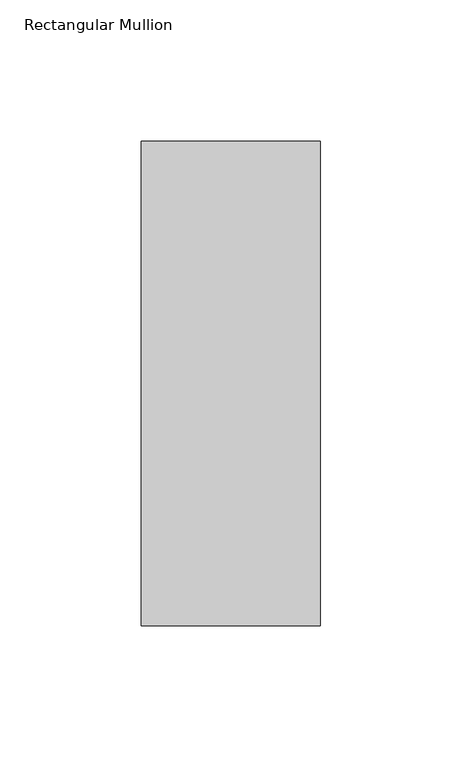
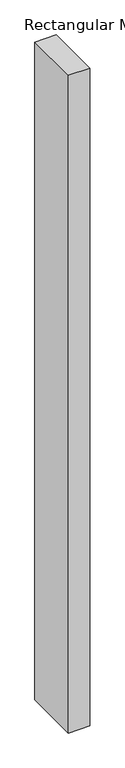
"""IFC4 building model written with IfcOpenShell, lengths in millimetres: member geometry, Rectangular Mullion."""

import ifcopenshell
import ifcopenshell.guid

model = None  # the IFC model being written
_history = None  # IfcOwnerHistory: only IFC2X3 demands one
_inside = {}  # id of a spatial element -> (the spatial element, [elements in it])
_under = {}  # id of a project, library or spatial element -> (it, [spatial elements below it])
_declared = {}  # id of a project -> (the project, [libraries it declares])
_typed = {}  # id of a type object -> (the type object, [elements of that type])
_made_of = {}  # id of a material, layer set ... -> (it, [elements and type objects made of it])


def new_model(schema):
    """Start an empty IFC model of exactly this schema.

    Asked for "IFC4X3", IfcOpenShell would pick the latest addendum, in which some entities
    have other attributes; the version numbers below select the first issue.
    IFC2X3 requires an IfcOwnerHistory on every rooted entity: one is made here for all.
    """
    global model, _history
    if schema == "IFC4X3":
        model = ifcopenshell.file(schema_version=(4, 3, 0, 0))
    else:
        model = ifcopenshell.file(schema=schema)
    _inside.clear()
    _under.clear()
    _declared.clear()
    _typed.clear()
    _made_of.clear()
    _history = None
    if model.schema == "IFC2X3":
        org = make("IfcOrganization", Name="unknown")
        user = make(
            "IfcPersonAndOrganization",
            ThePerson=make("IfcPerson", FamilyName="unknown"),
            TheOrganization=org,
        )
        app = make(
            "IfcApplication",
            ApplicationDeveloper=org,
            Version="unknown",
            ApplicationFullName="unknown",
            ApplicationIdentifier="unknown",
        )
        _history = make(
            "IfcOwnerHistory",
            OwningUser=user,
            OwningApplication=app,
            ChangeAction="ADDED",
            CreationDate=0,
        )
    return model


def make(cls, **values):
    """One entity of the class cls with the attributes given. An attribute that is None is left unset."""
    return model.create_entity(
        cls, **{name: value for name, value in values.items() if value is not None}
    )


def rooted(cls, **values):
    """An entity with a GlobalId (a new one), such as an element, a storey or a relation."""
    return make(cls, GlobalId=ifcopenshell.guid.new(), OwnerHistory=_history, **values)


def si_unit(unit_type, name, prefix=None):
    """IfcSIUnit, for example si_unit("LENGTHUNIT", "METRE", prefix="MILLI")."""
    return make("IfcSIUnit", UnitType=unit_type, Prefix=prefix, Name=name)


def assignment(units):
    """IfcUnitAssignment: the units of a project."""
    return None if units is None else make("IfcUnitAssignment", Units=units)


def point(xyz):
    """IfcCartesianPoint."""
    return None if xyz is None else make("IfcCartesianPoint", Coordinates=xyz)


def direction(xyz):
    """IfcDirection."""
    return None if xyz is None else make("IfcDirection", DirectionRatios=xyz)


def frame(location, z_axis=None, x_axis=None):
    """IfcAxis2Placement3D, a coordinate frame: its origin and axes. An axis left out is left unset."""
    return make(
        "IfcAxis2Placement3D",
        Location=point(location),
        Axis=direction(z_axis),
        RefDirection=direction(x_axis),
    )


def origin():
    """The frame at (0, 0, 0) with its axes left unset."""
    return frame((0.0, 0.0, 0.0))


def place(relative_to, where):
    """IfcLocalPlacement: puts the frame where relative to a parent placement (None: the world)."""
    return make(
        "IfcLocalPlacement", PlacementRelTo=relative_to, RelativePlacement=where
    )


def context(
    kind, dimensions, precision=None, world=None, true_north=None, identifier=None
):
    """IfcGeometricRepresentationContext, for example the 3D "Model" context."""
    return make(
        "IfcGeometricRepresentationContext",
        ContextIdentifier=identifier,
        ContextType=kind,
        CoordinateSpaceDimension=dimensions,
        Precision=precision,
        WorldCoordinateSystem=world,
        TrueNorth=true_north,
    )


def project(units=None, contexts=None):
    """IfcProject with its units and contexts."""
    return rooted(
        "IfcProject",
        Name="project",
        RepresentationContexts=contexts,
        UnitsInContext=assignment(units),
    )


def spatial(cls, under=None, at=None, **own):
    """A site, building, storey or space (cls), placed at a placement, below another one or the project."""
    s = rooted(cls, ObjectPlacement=at, **own)
    if under is not None:
        _under.setdefault(under.id(), (under, []))[1].append(s)
    return s


def polyline(points):
    """IfcPolyline through the points."""
    return make("IfcPolyline", Points=[point(p) for p in points])


def outline(outer, holes=None, kind="AREA"):
    """IfcArbitraryClosedProfileDef: a profile drawn as a closed curve; with holes, ...WithVoids."""
    if holes is None:
        return make("IfcArbitraryClosedProfileDef", ProfileType=kind, OuterCurve=outer)
    return make(
        "IfcArbitraryProfileDefWithVoids",
        ProfileType=kind,
        OuterCurve=outer,
        InnerCurves=holes,
    )


def extrude(swept, where, along, depth):
    """IfcExtrudedAreaSolid: the profile swept, set in the frame where, extruded along a direction by depth."""
    return make(
        "IfcExtrudedAreaSolid",
        SweptArea=swept,
        Position=where,
        ExtrudedDirection=direction(along),
        Depth=depth,
    )


def shape(context_of_items, identifier, shape_type, items):
    """IfcShapeRepresentation: the items that make up one representation, for example the "Body"."""
    return make(
        "IfcShapeRepresentation",
        ContextOfItems=context_of_items,
        RepresentationIdentifier=identifier,
        RepresentationType=shape_type,
        Items=items,
    )


def source(mapping_origin, context_of_items, identifier, shape_type, items):
    """IfcRepresentationMap: a shape defined once, which mapped items show again and again."""
    return make(
        "IfcRepresentationMap",
        MappingOrigin=mapping_origin,
        MappedRepresentation=shape(context_of_items, identifier, shape_type, items),
    )


def transform(
    local_origin,
    x_axis=None,
    y_axis=None,
    z_axis=None,
    scale=None,
    scale2=None,
    scale3=None,
    uniform=True,
):
    """IfcCartesianTransformationOperator3D, or its non-uniform kind. x_axis, y_axis, z_axis: its Axis1, 2, 3."""
    if uniform:
        return make(
            "IfcCartesianTransformationOperator3D",
            Axis1=direction(x_axis),
            Axis2=direction(y_axis),
            LocalOrigin=point(local_origin),
            Scale=scale,
            Axis3=direction(z_axis),
        )
    return make(
        "IfcCartesianTransformationOperator3DnonUniform",
        Axis1=direction(x_axis),
        Axis2=direction(y_axis),
        LocalOrigin=point(local_origin),
        Scale=scale,
        Axis3=direction(z_axis),
        Scale2=scale2,
        Scale3=scale3,
    )


def mapped(mapping_source, mapping_target):
    """IfcMappedItem: shows the shape of a source again, moved by a transform."""
    return make(
        "IfcMappedItem", MappingSource=mapping_source, MappingTarget=mapping_target
    )


def made_of(thing, what):
    """Note that an element or type object is made of a material, layer set ...; save() writes the relation."""
    if what is not None:
        _made_of.setdefault(what.id(), (what, []))[1].append(thing)
    return thing


def element(
    cls,
    number,
    at=None,
    inside=None,
    cuts=None,
    type_object=None,
    material=None,
    context=None,
    identifier="Body",
    shape_type=None,
    held_by="IfcProductDefinitionShape",
    body=None,
    shapes=None,
    **own,
):
    """One element of the class cls, such as IfcWall. Its Tag is "e" and its number.

    at: its placement. inside: the storey or other place that contains it. cuts: it is an
    opening in that element (IfcRelVoidsElement). A single representation is given by context,
    identifier, shape_type and body (its items); several are given by shapes. held_by: the class
    of the entity that holds the representations. save() writes the other relations.
    """
    e = rooted(cls, Tag="e%d" % number, ObjectPlacement=at, **own)
    if body is not None:
        shapes = [shape(context, identifier, shape_type, body)]
    if shapes is not None:
        e.Representation = make(held_by, Representations=shapes)
    if inside is not None:
        _inside.setdefault(inside.id(), (inside, []))[1].append(e)
    if cuts is not None:
        rooted(
            "IfcRelVoidsElement", RelatingBuildingElement=cuts, RelatedOpeningElement=e
        )
    if type_object is not None:
        _typed.setdefault(type_object.id(), (type_object, []))[1].append(e)
    return made_of(e, material)


def aggregate(whole, parts):
    """IfcRelAggregates: a whole, such as a stair, and the parts it consists of."""
    return rooted("IfcRelAggregates", RelatingObject=whole, RelatedObjects=parts)


def save(model, path):
    """Write the relations noted so far, then the file.

    IfcRelAggregates (storeys below a building ...), IfcRelContainedInSpatialStructure (elements
    in a storey), IfcRelDefinesByType, IfcRelAssociatesMaterial and IfcRelDeclares: one each for
    every whole, place, type object, material and project.
    """
    for whole, parts in _under.values():
        aggregate(whole, parts)
    for where, things in _inside.values():
        rooted(
            "IfcRelContainedInSpatialStructure",
            RelatedElements=things,
            RelatingStructure=where,
        )
    for kind, things in _typed.values():
        rooted("IfcRelDefinesByType", RelatedObjects=things, RelatingType=kind)
    for what, things in _made_of.values():
        rooted("IfcRelAssociatesMaterial", RelatedObjects=things, RelatingMaterial=what)
    for by, libraries in _declared.values():
        rooted("IfcRelDeclares", RelatingContext=by, RelatedDefinitions=libraries)
    model.write(path)


def rectangular_mullion_c4c0bd38(model_context):
    return source(origin(), model_context, "Body", "SweptSolid", [
        extrude(outline(polyline([(-31.7500004, 222.5381312), (31.75, 222.5381312), (31.75, 50.820278), (-31.7500004, 50.820278), (-31.7500004, 222.5381312)])), frame((0.0, 0.0, -2057.4), z_axis=(0.0, 0.0, 1.0), x_axis=(1.0, 0.0, 0.0)), (0.0, 0.0, 1.0), 2057.4),
    ])


if __name__ == "__main__":
    model = new_model("IFC4")
    model_context = context("Model", 3, world=origin())
    ifc_project = project(units=[si_unit("LENGTHUNIT", "METRE", prefix="MILLI")], contexts=[model_context])
    site = spatial("IfcSite", under=ifc_project)
    building = spatial("IfcBuilding", under=site)
    placement = place(None, origin())
    rectangular_mullion_shape = rectangular_mullion_c4c0bd38(model_context)
    element("IfcMember", 1, ObjectType="Rectangular Mullion", at=placement, inside=building, context=model_context, shape_type="MappedRepresentation", body=[
        mapped(rectangular_mullion_shape, transform((0.0, 0.0, 0.0), x_axis=(1.0, 0.0, 0.0), y_axis=(0.0, 1.0, 0.0), z_axis=(0.0, 0.0, 1.0))),
    ])
    save(model, "model.ifc")
